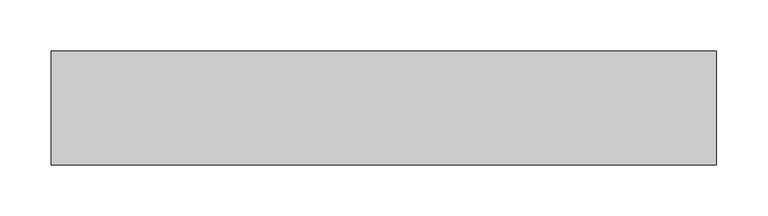
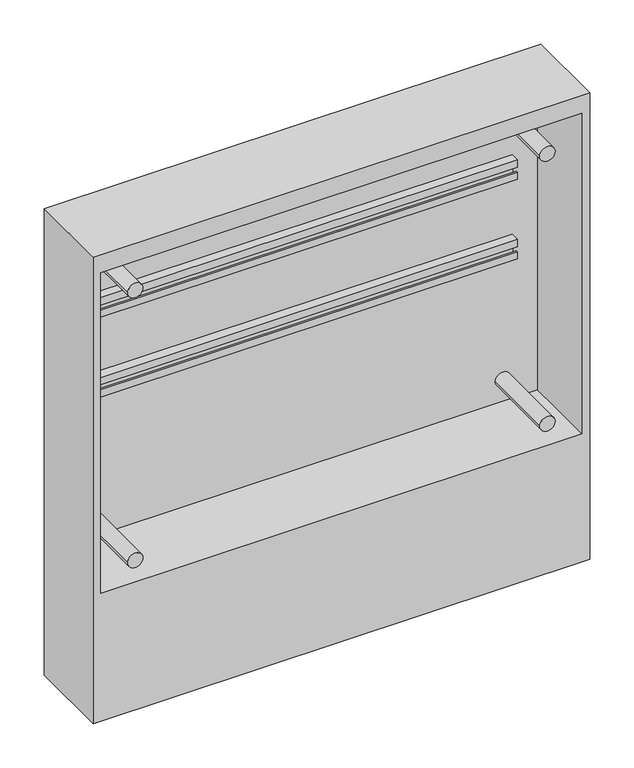
"""IFC4 building model written with IfcOpenShell, lengths in millimetres: furniture geometry."""

from ifc_helpers import new_model, si_unit, point, frame, frame_2d, origin, place, context, project, spatial, polyline, circle_curve, trimmed, segment, composite_curve, outline, extrude, faceted_brep, source, transform, mapped, element, save


def furniture_a6aaf742(model_context):
    return source(origin(), model_context, "Body", "SolidModel", [
        extrude(outline(polyline([(101.0, 403.5), (101.0, 390.0), (101.0, 376.5), (89.0, 376.5), (89.0, 386.5), (91.0, 386.5), (91.0, 378.5), (99.0, 378.5), (99.0, 401.5), (91.0, 401.5), (91.0, 393.5), (89.0, 393.5), (89.0, 403.5), (101.0, 403.5)])), frame((-281.5, 0.0, 0.0), z_axis=(1.0, 0.0, 0.0), x_axis=(0.0, 1.0, 0.0)), (0.0, 0.0, 1.0), 563.0),
        extrude(outline(polyline([(101.0, 513.5), (101.0, 500.0), (101.0, 486.5), (89.0, 486.5), (89.0, 496.5), (91.0, 496.5), (91.0, 488.5), (99.0, 488.5), (99.0, 511.5), (91.0, 511.5), (91.0, 503.5), (89.0, 503.5), (89.0, 513.5), (101.0, 513.5)])), frame((-281.5, 0.0, 0.0), z_axis=(1.0, 0.0, 0.0), x_axis=(0.0, 1.0, 0.0)), (0.0, 0.0, 1.0), 563.0),
        extrude(outline(composite_curve([segment(trimmed(circle_curve(frame_2d((580.0, -269.5)), 10.0), [point((580.0, -279.5))], [point((580.0, -259.5))], False, "CARTESIAN"), True, "CONTINUOUS"), segment(trimmed(circle_curve(frame_2d((580.0, -269.5)), 10.0), [point((580.0, -259.5))], [point((580.0, -279.5))], False, "CARTESIAN"), True, "CONTINUOUS")], self_intersect=False)), frame((0.0, 0.0, 0.0), z_axis=(0.0, 1.0, 0.0), x_axis=(0.0, 0.0, 1.0)), (0.0, 0.0, 1.0), 101.0),
        extrude(outline(composite_curve([segment(trimmed(circle_curve(frame_2d((580.0, 269.5)), 10.0), [point((580.0, 259.5))], [point((580.0, 279.5))], False, "CARTESIAN"), True, "CONTINUOUS"), segment(trimmed(circle_curve(frame_2d((580.0, 269.5)), 10.0), [point((580.0, 279.5))], [point((580.0, 259.5))], False, "CARTESIAN"), True, "CONTINUOUS")], self_intersect=False)), frame((0.0, 0.0, 0.0), z_axis=(0.0, 1.0, 0.0), x_axis=(0.0, 0.0, 1.0)), (0.0, 0.0, 1.0), 101.0),
        extrude(outline(composite_curve([segment(trimmed(circle_curve(frame_2d((207.0, -269.5)), 10.0), [point((207.0, -279.5))], [point((207.0, -259.5))], False, "CARTESIAN"), True, "CONTINUOUS"), segment(trimmed(circle_curve(frame_2d((207.0, -269.5)), 10.0), [point((207.0, -259.5))], [point((207.0, -279.5))], False, "CARTESIAN"), True, "CONTINUOUS")], self_intersect=False)), frame((0.0, 0.0, 0.0), z_axis=(0.0, 1.0, 0.0), x_axis=(0.0, 0.0, 1.0)), (0.0, 0.0, 1.0), 101.0),
        extrude(outline(composite_curve([segment(trimmed(circle_curve(frame_2d((207.0, 269.5)), 10.0), [point((207.0, 259.5))], [point((207.0, 279.5))], False, "CARTESIAN"), True, "CONTINUOUS"), segment(trimmed(circle_curve(frame_2d((207.0, 269.5)), 10.0), [point((207.0, 279.5))], [point((207.0, 259.5))], False, "CARTESIAN"), True, "CONTINUOUS")], self_intersect=False)), frame((0.0, 0.0, 0.0), z_axis=(0.0, 1.0, 0.0), x_axis=(0.0, 0.0, 1.0)), (0.0, 0.0, 1.0), 101.0),
        faceted_brep([(314.5, 101.0, 177.0), (314.5, 101.0, 620.0), (-314.5, 101.0, 620.0), (-314.5, 101.0, 177.0), (324.5, 111.0, 645.0), (324.5, 111.0, 0.0), (-324.5, 111.0, 0.0), (-324.5, 111.0, 645.0), (-324.5, 0.0, 645.0), (324.5, 0.0, 645.0), (-324.5, 0.0, 0.0), (324.5, 0.0, 0.0), (314.5, 0.0, 620.0), (314.5, 0.0, 177.0), (-314.5, 0.0, 177.0), (-314.5, 0.0, 620.0)], [[[0, 1, 2, 3]], [[4, 5, 6, 7]], [[4, 7, 8, 9]], [[8, 7, 6, 10]], [[10, 6, 5, 11]], [[11, 5, 4, 9]], [[9, 8, 10, 11], [12, 13, 14, 15]], [[13, 12, 1, 0]], [[14, 13, 0, 3]], [[15, 14, 3, 2]], [[12, 15, 2, 1]]]),
    ])


if __name__ == "__main__":
    model = new_model("IFC4")
    model_context = context("Model", 3, world=origin())
    ifc_project = project(units=[si_unit("LENGTHUNIT", "METRE", prefix="MILLI")], contexts=[model_context])
    site = spatial("IfcSite", under=ifc_project)
    building = spatial("IfcBuilding", under=site)
    placement = place(None, origin())
    furniture_shape = furniture_a6aaf742(model_context)
    element("IfcFurniture", 1, at=placement, inside=building, context=model_context, shape_type="MappedRepresentation", body=[
        mapped(furniture_shape, transform((0.0, 0.0, 0.0), x_axis=(1.0, 0.0, 0.0), y_axis=(0.0, 1.0, 0.0), z_axis=(0.0, 0.0, 1.0))),
    ])
    save(model, "model.ifc")
